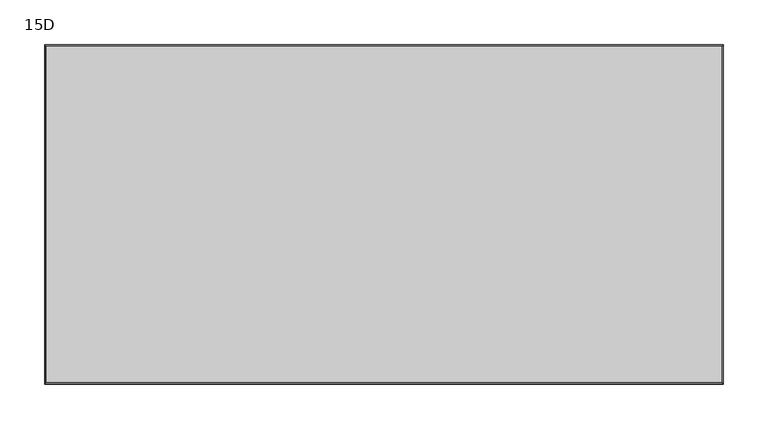
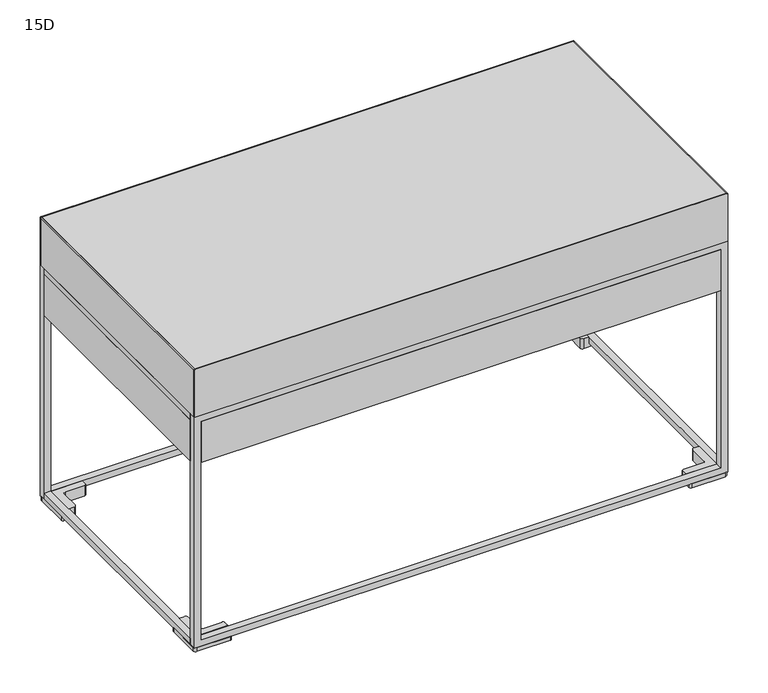
"""IFC4 building model written with IfcOpenShell, lengths in millimetres: furniture geometry, 15D."""

from ifc_helpers import new_model, si_unit, point, frame, frame_2d, origin, place, context, project, spatial, polyline, circle_curve, trimmed, segment, composite_curve, outline, extrude, source, transform, mapped, element, save
from ifc_brep_helpers import plane_surface, cylinder_surface, revolved_surface, advanced_brep


def furniture_15d_9a3ecead(model_context):
    return source(origin(), model_context, "Body", "SolidModel", [
        advanced_brep(
        [(17.0083882, -53.9744671, 15.289646), (20.3103882, -50.6724671, 15.289646), (20.3103882, -23.6896322, 15.289646), (23.6342208, -20.3657996, 15.289646), (51.4351938, -20.3657996, 15.289646), (53.9751938, -17.8257996, 15.289646), (53.9751938, -10.532642, 15.289646), (9.652, -10.532642, 15.289646), (9.652, -53.9744671, 15.289646), (53.9751938, -17.8257996, 0.0), (51.4351938, -20.3657996, 0.0), (23.6342208, -20.3657996, 0.0), (20.3103882, -23.6896322, 0.0), (20.3103882, -50.6724671, 0.0), (17.0083882, -53.9744671, 0.0), (2.54, -53.9744671, 0.0), (0.0, -51.4344671, 0.0), (0.0, -3.5791729, 0.0), (3.5791729, 0.0, 0.0), (51.3190396, 0.0, 0.0), (53.9751938, -2.6561542, 0.0), (53.9751938, -2.6561542, 5.7646191), (53.9751938, -10.532642, 5.7646191), (51.3190396, 0.0, 5.7646191), (3.5791729, 0.0, 5.7646191), (0.0, -3.5791729, 5.7646191), (0.0, -51.4344671, 5.7646191), (2.54, -53.9744671, 5.7646191), (9.652, -53.9744671, 5.7646191), (9.652, -10.532642, 5.7646191)],
        [
            (0, 1, circle_curve(frame((17.0083882, -50.6724671, 15.289646), z_axis=(0.0, 0.0, 1.0), x_axis=(1.0, 0.0, 0.0)), 3.302)),
            (1, 2),
            (2, 3, circle_curve(frame((23.6342208, -23.6896322, 15.289646), z_axis=(0.0, 0.0, -1.0), x_axis=(1.0, 0.0, 0.0)), 3.3238326)),
            (3, 4),
            (4, 5, circle_curve(frame((51.4351938, -17.8257996, 15.289646), z_axis=(0.0, 0.0, 1.0), x_axis=(1.0, 0.0, 0.0)), 2.54)),
            (5, 6),
            (6, 7),
            (7, 8),
            (8, 0),
            (9, 10, circle_curve(frame((51.4351938, -17.8257996, 0.0), z_axis=(0.0, 0.0, -1.0), x_axis=(1.0, 0.0, 0.0)), 2.54)),
            (10, 11),
            (11, 12, circle_curve(frame((23.6342208, -23.6896322, 0.0), z_axis=(0.0, 0.0, 1.0), x_axis=(1.0, 0.0, 0.0)), 3.3238326)),
            (12, 13),
            (13, 14, circle_curve(frame((17.0083882, -50.6724671, 0.0), z_axis=(0.0, 0.0, -1.0), x_axis=(1.0, 0.0, 0.0)), 3.302)),
            (14, 15),
            (15, 16, circle_curve(frame((2.54, -51.4344671, 0.0), z_axis=(0.0, 0.0, -1.0), x_axis=(1.0, 0.0, 0.0)), 2.54)),
            (16, 17),
            (17, 18, circle_curve(frame((3.5791729, -3.5791729, 0.0), z_axis=(0.0, 0.0, -1.0), x_axis=(1.0, 0.0, 0.0)), 3.5791729)),
            (18, 19),
            (19, 20, circle_curve(frame((51.3190396, -2.6561542, 0.0), z_axis=(0.0, 0.0, -1.0), x_axis=(1.0, 0.0, 0.0)), 2.6561542)),
            (20, 9),
            (20, 21),
            (21, 22),
            (22, 6),
            (5, 9),
            (19, 23),
            (23, 21, circle_curve(frame((51.3190396, -2.6561542, 5.7646191), z_axis=(0.0, 0.0, -1.0), x_axis=(1.0, 0.0, 0.0)), 2.6561542)),
            (18, 24),
            (24, 23),
            (17, 25),
            (25, 24, circle_curve(frame((3.5791729, -3.5791729, 5.7646191), z_axis=(0.0, 0.0, -1.0), x_axis=(1.0, 0.0, 0.0)), 3.5791729)),
            (16, 26),
            (26, 25),
            (15, 27),
            (27, 26, circle_curve(frame((2.54, -51.4344671, 5.7646191), z_axis=(0.0, 0.0, -1.0), x_axis=(1.0, 0.0, 0.0)), 2.54)),
            (14, 0),
            (8, 28),
            (28, 27),
            (13, 1),
            (12, 2),
            (11, 3),
            (10, 4),
            (28, 29),
            (29, 22),
            (7, 29),
        ],
        [
            plane_surface(frame((53.9751938, -2.7431465, 15.289646), z_axis=(0.0, 0.0, 1.0), x_axis=(0.0, 1.0, 0.0))),
            plane_surface(frame((53.9751938, -2.7431465, 0.0), z_axis=(0.0, 0.0, -1.0), x_axis=(0.0, -1.0, 0.0))),
            plane_surface(frame((53.9751938, -17.8257996, 15.289646), z_axis=(1.0, 0.0, 0.0), x_axis=(0.0, 0.0, -1.0))),
            cylinder_surface(frame((51.3190396, -2.6561542, 0.0), z_axis=(0.0, 0.0, 1.0), x_axis=(1.0, 0.0, 0.0)), 2.6561542),
            plane_surface(frame((51.3190396, 0.0, 15.289646), z_axis=(0.0, 1.0, 0.0), x_axis=(0.0, 0.0, -1.0))),
            cylinder_surface(frame((3.5791729, -3.5791729, 0.0), z_axis=(0.0, 0.0, 1.0), x_axis=(1.0, 0.0, 0.0)), 3.5791729),
            plane_surface(frame((0.0, -3.5791729, 15.289646), z_axis=(-1.0, 0.0, 0.0), x_axis=(0.0, 0.0, -1.0))),
            cylinder_surface(frame((2.54, -51.4344671, 0.0), z_axis=(0.0, 0.0, 1.0), x_axis=(1.0, 0.0, 0.0)), 2.54),
            plane_surface(frame((2.54, -53.9744671, 15.289646), z_axis=(0.0, -1.0, 0.0), x_axis=(0.0, 0.0, -1.0))),
            cylinder_surface(frame((17.0083882, -50.6724671, 0.0), z_axis=(0.0, 0.0, 1.0), x_axis=(1.0, 0.0, 0.0)), 3.302),
            plane_surface(frame((20.3103882, -50.6724671, 15.289646), z_axis=(1.0, 0.0, 0.0), x_axis=(0.0, 0.0, -1.0))),
            revolved_surface(polyline([(26.9580534, -23.6896322, 0.0), (26.9580534, -23.6896322, 15.289646)]), (23.6342208, -23.6896322, 0.0), (0.0, 0.0, -1.0)),
            plane_surface(frame((23.6342208, -20.3657996, 15.289646), z_axis=(0.0, -1.0, 0.0), x_axis=(0.0, 0.0, -1.0))),
            cylinder_surface(frame((51.4351938, -17.8257996, 0.0), z_axis=(0.0, 0.0, 1.0), x_axis=(1.0, 0.0, 0.0)), 2.54),
            plane_surface(frame((2.54, -327.0259689, 5.7646191), z_axis=(0.0, 0.0, 1.0), x_axis=(1.0, 0.0, 0.0))),
            plane_surface(frame((9.652, -53.9744671, 126.7257456), z_axis=(-1.0, 0.0, 0.0), x_axis=(0.0, 0.0, -1.0))),
            plane_surface(frame((9.652, -10.532642, 126.7257456), z_axis=(0.0, 1.0, 0.0), x_axis=(0.0, 0.0, -1.0))),
        ],
        [
            (0, [[1, 2, 3, 4, 5, 6, 7, 8, 9]]),
            (1, [[10, 11, 12, 13, 14, 15, 16, 17, 18, 19, 20, 21]]),
            (2, [[-21, 22, 23, 24, -6, 25]]),
            (3, [[-20, 26, 27, -22]]),
            (4, [[-19, 28, 29, -26]]),
            (5, [[-18, 30, 31, -28]]),
            (6, [[-17, 32, 33, -30]]),
            (7, [[-16, 34, 35, -32]]),
            (8, [[-15, 36, -9, 37, 38, -34]]),
            (9, [[-1, -36, -14, 39]]),
            (10, [[-2, -39, -13, 40]]),
            (11, [[-3, -40, -12, 41]]),
            (12, [[-4, -41, -11, 42]]),
            (13, [[-5, -42, -10, -25]]),
            (14, [[43, 44, -23, -27, -29, -31, -33, -35, -38]]),
            (15, [[-43, -37, -8, 45]]),
            (16, [[-44, -45, -7, -24]]),
        ],
    ),
        advanced_brep(
        [(708.0248062, -17.8257996, 15.289646), (710.5648062, -20.3657996, 15.289646), (738.3657792, -20.3657996, 15.289646), (741.6896118, -23.6896322, 15.289646), (741.6896118, -50.6724671, 15.289646), (744.9916118, -53.9744671, 15.289646), (752.348, -53.9744671, 15.289646), (752.348, -10.532642, 15.289646), (708.0248062, -10.532642, 15.289646), (708.0248062, -17.8257996, 0.0), (708.0248062, -2.6561542, 0.0), (710.6809604, 0.0, 0.0), (758.4208271, 0.0, 0.0), (762.0, -3.5791729, 0.0), (762.0, -51.4344671, 0.0), (759.46, -53.9744671, 0.0), (744.9916118, -53.9744671, 0.0), (741.6896118, -50.6724671, 0.0), (741.6896118, -23.6896322, 0.0), (738.3657792, -20.3657996, 0.0), (710.5648062, -20.3657996, 0.0), (759.46, -53.9744671, 5.7646191), (752.348, -53.9744671, 5.7646191), (762.0, -51.4344671, 5.7646191), (762.0, -3.5791729, 5.7646191), (758.4208271, 0.0, 5.7646191), (710.6809604, 0.0, 5.7646191), (708.0248062, -2.6561542, 5.7646191), (708.0248062, -10.532642, 5.7646191), (752.348, -10.532642, 5.7646191)],
        [
            (0, 1, circle_curve(frame((710.5648062, -17.8257996, 15.289646), z_axis=(0.0, 0.0, 1.0), x_axis=(1.0, 0.0, 0.0)), 2.54)),
            (1, 2),
            (2, 3, circle_curve(frame((738.3657792, -23.6896322, 15.289646), z_axis=(0.0, 0.0, -1.0), x_axis=(1.0, 0.0, 0.0)), 3.3238326)),
            (3, 4),
            (4, 5, circle_curve(frame((744.9916118, -50.6724671, 15.289646), z_axis=(0.0, 0.0, 1.0), x_axis=(1.0, 0.0, 0.0)), 3.302)),
            (5, 6),
            (6, 7),
            (7, 8),
            (8, 0),
            (9, 10),
            (10, 11, circle_curve(frame((710.6809604, -2.6561542, 0.0), z_axis=(0.0, 0.0, -1.0), x_axis=(1.0, 0.0, 0.0)), 2.6561542)),
            (11, 12),
            (12, 13, circle_curve(frame((758.4208271, -3.5791729, 0.0), z_axis=(0.0, 0.0, -1.0), x_axis=(1.0, 0.0, 0.0)), 3.5791729)),
            (13, 14),
            (14, 15, circle_curve(frame((759.46, -51.4344671, 0.0), z_axis=(0.0, 0.0, -1.0), x_axis=(1.0, 0.0, 0.0)), 2.54)),
            (15, 16),
            (16, 17, circle_curve(frame((744.9916118, -50.6724671, 0.0), z_axis=(0.0, 0.0, -1.0), x_axis=(1.0, 0.0, 0.0)), 3.302)),
            (17, 18),
            (18, 19, circle_curve(frame((738.3657792, -23.6896322, 0.0), z_axis=(0.0, 0.0, 1.0), x_axis=(1.0, 0.0, 0.0)), 3.3238326)),
            (19, 20),
            (20, 9, circle_curve(frame((710.5648062, -17.8257996, 0.0), z_axis=(0.0, 0.0, -1.0), x_axis=(1.0, 0.0, 0.0)), 2.54)),
            (0, 9),
            (20, 1),
            (19, 2),
            (18, 3),
            (17, 4),
            (16, 5),
            (15, 21),
            (21, 22),
            (22, 6),
            (14, 23),
            (23, 21, circle_curve(frame((759.46, -51.4344671, 5.7646191), z_axis=(0.0, 0.0, -1.0), x_axis=(1.0, 0.0, 0.0)), 2.54)),
            (13, 24),
            (24, 23),
            (12, 25),
            (25, 24, circle_curve(frame((758.4208271, -3.5791729, 5.7646191), z_axis=(0.0, 0.0, -1.0), x_axis=(1.0, 0.0, 0.0)), 3.5791729)),
            (11, 26),
            (26, 25),
            (10, 27),
            (27, 26, circle_curve(frame((710.6809604, -2.6561542, 5.7646191), z_axis=(0.0, 0.0, -1.0), x_axis=(1.0, 0.0, 0.0)), 2.6561542)),
            (8, 28),
            (28, 27),
            (28, 29),
            (29, 22),
            (7, 29),
        ],
        [
            plane_surface(frame((53.9751938, -2.7431465, 15.289646), z_axis=(0.0, 0.0, 1.0), x_axis=(0.0, 1.0, 0.0))),
            plane_surface(frame((53.9751938, -2.7431465, 0.0), z_axis=(0.0, 0.0, -1.0), x_axis=(0.0, -1.0, 0.0))),
            cylinder_surface(frame((710.5648062, -17.8257996, 0.0), z_axis=(0.0, 0.0, 1.0), x_axis=(1.0, 0.0, 0.0)), 2.54),
            plane_surface(frame((710.5648062, -20.3657996, 15.289646), z_axis=(0.0, -1.0, 0.0), x_axis=(0.0, 0.0, -1.0))),
            revolved_surface(polyline([(741.6896118, -23.6896322, 0.0), (741.6896118, -23.6896322, 15.289646)]), (738.3657792, -23.6896322, 0.0), (0.0, 0.0, -1.0)),
            plane_surface(frame((741.6896118, -23.6896322, 15.289646), z_axis=(-1.0, 0.0, 0.0), x_axis=(0.0, 0.0, -1.0))),
            cylinder_surface(frame((744.9916118, -50.6724671, 0.0), z_axis=(0.0, 0.0, 1.0), x_axis=(1.0, 0.0, 0.0)), 3.302),
            plane_surface(frame((744.9916118, -53.9744671, 15.289646), z_axis=(0.0, -1.0, 0.0), x_axis=(0.0, 0.0, -1.0))),
            cylinder_surface(frame((759.46, -51.4344671, 0.0), z_axis=(0.0, 0.0, 1.0), x_axis=(1.0, 0.0, 0.0)), 2.54),
            plane_surface(frame((762.0, -51.4344671, 15.289646), z_axis=(1.0, 0.0, 0.0), x_axis=(0.0, 0.0, -1.0))),
            cylinder_surface(frame((758.4208271, -3.5791729, 0.0), z_axis=(0.0, 0.0, 1.0), x_axis=(1.0, 0.0, 0.0)), 3.5791729),
            plane_surface(frame((758.4208271, 0.0, 15.289646), z_axis=(0.0, 1.0, 0.0), x_axis=(0.0, 0.0, -1.0))),
            cylinder_surface(frame((710.6809604, -2.6561542, 0.0), z_axis=(0.0, 0.0, 1.0), x_axis=(1.0, 0.0, 0.0)), 2.6561542),
            plane_surface(frame((708.0248062, -2.6561542, 15.289646), z_axis=(-1.0, 0.0, 0.0), x_axis=(0.0, 0.0, -1.0))),
            plane_surface(frame((2.54, -327.0259689, 5.7646191), z_axis=(0.0, 0.0, 1.0), x_axis=(1.0, 0.0, 0.0))),
            plane_surface(frame((708.0248062, -10.532642, 126.7257456), z_axis=(0.0, 1.0, 0.0), x_axis=(0.0, 0.0, -1.0))),
            plane_surface(frame((752.348, -10.532642, 126.7257456), z_axis=(1.0, 0.0, 0.0), x_axis=(0.0, 0.0, -1.0))),
        ],
        [
            (0, [[1, 2, 3, 4, 5, 6, 7, 8, 9]]),
            (1, [[10, 11, 12, 13, 14, 15, 16, 17, 18, 19, 20, 21]]),
            (2, [[-1, 22, -21, 23]]),
            (3, [[-2, -23, -20, 24]]),
            (4, [[-3, -24, -19, 25]]),
            (5, [[-4, -25, -18, 26]]),
            (6, [[-5, -26, -17, 27]]),
            (7, [[-16, 28, 29, 30, -6, -27]]),
            (8, [[-15, 31, 32, -28]]),
            (9, [[-14, 33, 34, -31]]),
            (10, [[-13, 35, 36, -33]]),
            (11, [[-12, 37, 38, -35]]),
            (12, [[-11, 39, 40, -37]]),
            (13, [[-10, -22, -9, 41, 42, -39]]),
            (14, [[43, 44, -29, -32, -34, -36, -38, -40, -42]]),
            (15, [[-43, -41, -8, 45]]),
            (16, [[-44, -45, -7, -30]]),
        ],
    ),
        advanced_brep(
        [(53.9751938, -363.2307745, 15.289646), (51.4351938, -360.6907745, 15.289646), (23.6342208, -360.6907745, 15.289646), (20.3103882, -357.3669419, 15.289646), (20.3103882, -330.3279689, 15.289646), (17.0083882, -327.0259689, 15.289646), (9.652, -327.0259689, 15.289646), (9.652, -370.467794, 15.289646), (53.9751938, -370.467794, 15.289646), (53.9751938, -363.2307745, 0.0), (53.9751938, -378.3438458, 0.0), (51.3190396, -381.0, 0.0), (3.5791729, -381.0, 0.0), (0.0, -377.4208271, 0.0), (0.0, -329.5659689, 0.0), (2.54, -327.0259689, 0.0), (17.0083882, -327.0259689, 0.0), (20.3103882, -330.3279689, 0.0), (20.3103882, -357.3669419, 0.0), (23.6342208, -360.6907745, 0.0), (51.4351938, -360.6907745, 0.0), (2.54, -327.0259689, 5.7646191), (9.652, -327.0259689, 5.7646191), (0.0, -329.5659689, 5.7646191), (0.0, -377.4208271, 5.7646191), (3.5791729, -381.0, 5.7646191), (51.3190396, -381.0, 5.7646191), (53.9751938, -378.3438458, 5.7646191), (53.9751938, -370.467794, 5.7646191), (9.652, -370.467794, 5.7646191)],
        [
            (0, 1, circle_curve(frame((51.4351938, -363.2307745, 15.289646), z_axis=(0.0, 0.0, 1.0), x_axis=(1.0, 0.0, 0.0)), 2.54)),
            (1, 2),
            (2, 3, circle_curve(frame((23.6342208, -357.3669419, 15.289646), z_axis=(0.0, 0.0, -1.0), x_axis=(1.0, 0.0, 0.0)), 3.3238326)),
            (3, 4),
            (4, 5, circle_curve(frame((17.0083882, -330.3279689, 15.289646), z_axis=(0.0, 0.0, 1.0), x_axis=(1.0, 0.0, 0.0)), 3.302)),
            (5, 6),
            (6, 7),
            (7, 8),
            (8, 0),
            (9, 10),
            (10, 11, circle_curve(frame((51.3190396, -378.3438458, 0.0), z_axis=(0.0, 0.0, -1.0), x_axis=(1.0, 0.0, 0.0)), 2.6561542)),
            (11, 12),
            (12, 13, circle_curve(frame((3.5791729, -377.4208271, 0.0), z_axis=(0.0, 0.0, -1.0), x_axis=(1.0, 0.0, 0.0)), 3.5791729)),
            (13, 14),
            (14, 15, circle_curve(frame((2.54, -329.5659689, 0.0), z_axis=(0.0, 0.0, -1.0), x_axis=(1.0, 0.0, 0.0)), 2.54)),
            (15, 16),
            (16, 17, circle_curve(frame((17.0083882, -330.3279689, 0.0), z_axis=(0.0, 0.0, -1.0), x_axis=(1.0, 0.0, 0.0)), 3.302)),
            (17, 18),
            (18, 19, circle_curve(frame((23.6342208, -357.3669419, 0.0), z_axis=(0.0, 0.0, 1.0), x_axis=(1.0, 0.0, 0.0)), 3.3238326)),
            (19, 20),
            (20, 9, circle_curve(frame((51.4351938, -363.2307745, 0.0), z_axis=(0.0, 0.0, -1.0), x_axis=(1.0, 0.0, 0.0)), 2.54)),
            (0, 9),
            (20, 1),
            (19, 2),
            (18, 3),
            (17, 4),
            (16, 5),
            (15, 21),
            (21, 22),
            (22, 6),
            (14, 23),
            (23, 21, circle_curve(frame((2.54, -329.5659689, 5.7646191), z_axis=(0.0, 0.0, -1.0), x_axis=(1.0, 0.0, 0.0)), 2.54)),
            (13, 24),
            (24, 23),
            (12, 25),
            (25, 24, circle_curve(frame((3.5791729, -377.4208271, 5.7646191), z_axis=(0.0, 0.0, -1.0), x_axis=(1.0, 0.0, 0.0)), 3.5791729)),
            (11, 26),
            (26, 25),
            (10, 27),
            (27, 26, circle_curve(frame((51.3190396, -378.3438458, 5.7646191), z_axis=(0.0, 0.0, -1.0), x_axis=(1.0, 0.0, 0.0)), 2.6561542)),
            (8, 28),
            (28, 27),
            (28, 29),
            (29, 22),
            (7, 29),
        ],
        [
            plane_surface(frame((53.9751938, -2.7431465, 15.289646), z_axis=(0.0, 0.0, 1.0), x_axis=(0.0, 1.0, 0.0))),
            plane_surface(frame((53.9751938, -2.7431465, 0.0), z_axis=(0.0, 0.0, -1.0), x_axis=(0.0, -1.0, 0.0))),
            cylinder_surface(frame((51.4351938, -363.2307745, 0.0), z_axis=(0.0, 0.0, 1.0), x_axis=(1.0, 0.0, 0.0)), 2.54),
            plane_surface(frame((51.4351938, -360.6907745, 15.289646), z_axis=(0.0, 1.0, 0.0), x_axis=(0.0, 0.0, -1.0))),
            revolved_surface(polyline([(26.9580534, -357.3669419, 0.0), (26.9580534, -357.3669419, 15.289646)]), (23.6342208, -357.3669419, 0.0), (0.0, 0.0, -1.0)),
            plane_surface(frame((20.3103882, -357.3669419, 15.289646), z_axis=(1.0, 0.0, 0.0), x_axis=(0.0, 0.0, -1.0))),
            cylinder_surface(frame((17.0083882, -330.3279689, 0.0), z_axis=(0.0, 0.0, 1.0), x_axis=(1.0, 0.0, 0.0)), 3.302),
            plane_surface(frame((17.0083882, -327.0259689, 15.289646), z_axis=(0.0, 1.0, 0.0), x_axis=(0.0, 0.0, -1.0))),
            cylinder_surface(frame((2.54, -329.5659689, 0.0), z_axis=(0.0, 0.0, 1.0), x_axis=(1.0, 0.0, 0.0)), 2.54),
            plane_surface(frame((0.0, -329.5659689, 15.289646), z_axis=(-1.0, 0.0, 0.0), x_axis=(0.0, 0.0, -1.0))),
            cylinder_surface(frame((3.5791729, -377.4208271, 0.0), z_axis=(0.0, 0.0, 1.0), x_axis=(1.0, 0.0, 0.0)), 3.5791729),
            plane_surface(frame((3.5791729, -381.0, 15.289646), z_axis=(0.0, -1.0, 0.0), x_axis=(0.0, 0.0, -1.0))),
            cylinder_surface(frame((51.3190396, -378.3438458, 0.0), z_axis=(0.0, 0.0, 1.0), x_axis=(1.0, 0.0, 0.0)), 2.6561542),
            plane_surface(frame((53.9751938, -378.3438458, 15.289646), z_axis=(1.0, 0.0, 0.0), x_axis=(0.0, 0.0, -1.0))),
            plane_surface(frame((2.54, -327.0259689, 5.7646191), z_axis=(0.0, 0.0, 1.0), x_axis=(1.0, 0.0, 0.0))),
            plane_surface(frame((53.9751938, -370.467794, 126.7257456), z_axis=(0.0, -1.0, 0.0), x_axis=(0.0, 0.0, -1.0))),
            plane_surface(frame((9.652, -370.467794, 126.7257456), z_axis=(-1.0, 0.0, 0.0), x_axis=(0.0, 0.0, -1.0))),
        ],
        [
            (0, [[1, 2, 3, 4, 5, 6, 7, 8, 9]]),
            (1, [[10, 11, 12, 13, 14, 15, 16, 17, 18, 19, 20, 21]]),
            (2, [[-1, 22, -21, 23]]),
            (3, [[-2, -23, -20, 24]]),
            (4, [[-3, -24, -19, 25]]),
            (5, [[-4, -25, -18, 26]]),
            (6, [[-5, -26, -17, 27]]),
            (7, [[-16, 28, 29, 30, -6, -27]]),
            (8, [[-15, 31, 32, -28]]),
            (9, [[-14, 33, 34, -31]]),
            (10, [[-13, 35, 36, -33]]),
            (11, [[-12, 37, 38, -35]]),
            (12, [[-11, 39, 40, -37]]),
            (13, [[-10, -22, -9, 41, 42, -39]]),
            (14, [[43, 44, -29, -32, -34, -36, -38, -40, -42]]),
            (15, [[-43, -41, -8, 45]]),
            (16, [[-44, -45, -7, -30]]),
        ],
    ),
        advanced_brep(
        [(744.9916118, -327.0259689, 15.289646), (741.6896118, -330.3279689, 15.289646), (741.6896118, -357.3669419, 15.289646), (738.3657792, -360.6907745, 15.289646), (710.5648062, -360.6907745, 15.289646), (708.0248062, -363.2307745, 15.289646), (708.0248062, -370.467794, 15.289646), (752.348, -370.467794, 15.289646), (752.348, -327.0259689, 15.289646), (708.0248062, -363.2307745, 0.0), (710.5648062, -360.6907745, 0.0), (738.3657792, -360.6907745, 0.0), (741.6896118, -357.3669419, 0.0), (741.6896118, -330.3279689, 0.0), (744.9916118, -327.0259689, 0.0), (759.46, -327.0259689, 0.0), (762.0, -329.5659689, 0.0), (762.0, -377.4208271, 0.0), (758.4208271, -381.0, 0.0), (710.6809604, -381.0, 0.0), (708.0248062, -378.3438458, 0.0), (708.0248062, -378.3438458, 5.7646191), (708.0248062, -370.467794, 5.7646191), (710.6809604, -381.0, 5.7646191), (758.4208271, -381.0, 5.7646191), (762.0, -377.4208271, 5.7646191), (762.0, -329.5659689, 5.7646191), (759.46, -327.0259689, 5.7646191), (752.348, -327.0259689, 5.7646191), (752.348, -370.467794, 5.7646191)],
        [
            (0, 1, circle_curve(frame((744.9916118, -330.3279689, 15.289646), z_axis=(0.0, 0.0, 1.0), x_axis=(1.0, 0.0, 0.0)), 3.302)),
            (1, 2),
            (2, 3, circle_curve(frame((738.3657792, -357.3669419, 15.289646), z_axis=(0.0, 0.0, -1.0), x_axis=(1.0, 0.0, 0.0)), 3.3238326)),
            (3, 4),
            (4, 5, circle_curve(frame((710.5648062, -363.2307745, 15.289646), z_axis=(0.0, 0.0, 1.0), x_axis=(1.0, 0.0, 0.0)), 2.54)),
            (5, 6),
            (6, 7),
            (7, 8),
            (8, 0),
            (9, 10, circle_curve(frame((710.5648062, -363.2307745, 0.0), z_axis=(0.0, 0.0, -1.0), x_axis=(1.0, 0.0, 0.0)), 2.54)),
            (10, 11),
            (11, 12, circle_curve(frame((738.3657792, -357.3669419, 0.0), z_axis=(0.0, 0.0, 1.0), x_axis=(1.0, 0.0, 0.0)), 3.3238326)),
            (12, 13),
            (13, 14, circle_curve(frame((744.9916118, -330.3279689, 0.0), z_axis=(0.0, 0.0, -1.0), x_axis=(1.0, 0.0, 0.0)), 3.302)),
            (14, 15),
            (15, 16, circle_curve(frame((759.46, -329.5659689, 0.0), z_axis=(0.0, 0.0, -1.0), x_axis=(1.0, 0.0, 0.0)), 2.54)),
            (16, 17),
            (17, 18, circle_curve(frame((758.4208271, -377.4208271, 0.0), z_axis=(0.0, 0.0, -1.0), x_axis=(1.0, 0.0, 0.0)), 3.5791729)),
            (18, 19),
            (19, 20, circle_curve(frame((710.6809604, -378.3438458, 0.0), z_axis=(0.0, 0.0, -1.0), x_axis=(1.0, 0.0, 0.0)), 2.6561542)),
            (20, 9),
            (20, 21),
            (21, 22),
            (22, 6),
            (5, 9),
            (19, 23),
            (23, 21, circle_curve(frame((710.6809604, -378.3438458, 5.7646191), z_axis=(0.0, 0.0, -1.0), x_axis=(1.0, 0.0, 0.0)), 2.6561542)),
            (18, 24),
            (24, 23),
            (17, 25),
            (25, 24, circle_curve(frame((758.4208271, -377.4208271, 5.7646191), z_axis=(0.0, 0.0, -1.0), x_axis=(1.0, 0.0, 0.0)), 3.5791729)),
            (16, 26),
            (26, 25),
            (15, 27),
            (27, 26, circle_curve(frame((759.46, -329.5659689, 5.7646191), z_axis=(0.0, 0.0, -1.0), x_axis=(1.0, 0.0, 0.0)), 2.54)),
            (14, 0),
            (8, 28),
            (28, 27),
            (13, 1),
            (12, 2),
            (11, 3),
            (10, 4),
            (28, 29),
            (29, 22),
            (7, 29),
        ],
        [
            plane_surface(frame((53.9751938, -2.7431465, 15.289646), z_axis=(0.0, 0.0, 1.0), x_axis=(0.0, 1.0, 0.0))),
            plane_surface(frame((53.9751938, -2.7431465, 0.0), z_axis=(0.0, 0.0, -1.0), x_axis=(0.0, -1.0, 0.0))),
            plane_surface(frame((708.0248062, -363.2307745, 15.289646), z_axis=(-1.0, 0.0, 0.0), x_axis=(0.0, 0.0, -1.0))),
            cylinder_surface(frame((710.6809604, -378.3438458, 0.0), z_axis=(0.0, 0.0, 1.0), x_axis=(1.0, 0.0, 0.0)), 2.6561542),
            plane_surface(frame((710.6809604, -381.0, 15.289646), z_axis=(0.0, -1.0, 0.0), x_axis=(0.0, 0.0, -1.0))),
            cylinder_surface(frame((758.4208271, -377.4208271, 0.0), z_axis=(0.0, 0.0, 1.0), x_axis=(1.0, 0.0, 0.0)), 3.5791729),
            plane_surface(frame((762.0, -377.4208271, 15.289646), z_axis=(1.0, 0.0, 0.0), x_axis=(0.0, 0.0, -1.0))),
            cylinder_surface(frame((759.46, -329.5659689, 0.0), z_axis=(0.0, 0.0, 1.0), x_axis=(1.0, 0.0, 0.0)), 2.54),
            plane_surface(frame((759.46, -327.0259689, 15.289646), z_axis=(0.0, 1.0, 0.0), x_axis=(0.0, 0.0, -1.0))),
            cylinder_surface(frame((744.9916118, -330.3279689, 0.0), z_axis=(0.0, 0.0, 1.0), x_axis=(1.0, 0.0, 0.0)), 3.302),
            plane_surface(frame((741.6896118, -330.3279689, 15.289646), z_axis=(-1.0, 0.0, 0.0), x_axis=(0.0, 0.0, -1.0))),
            revolved_surface(polyline([(741.6896118, -357.3669419, 0.0), (741.6896118, -357.3669419, 15.289646)]), (738.3657792, -357.3669419, 0.0), (0.0, 0.0, -1.0)),
            plane_surface(frame((738.3657792, -360.6907745, 15.289646), z_axis=(0.0, 1.0, 0.0), x_axis=(0.0, 0.0, -1.0))),
            cylinder_surface(frame((710.5648062, -363.2307745, 0.0), z_axis=(0.0, 0.0, 1.0), x_axis=(1.0, 0.0, 0.0)), 2.54),
            plane_surface(frame((2.54, -327.0259689, 5.7646191), z_axis=(0.0, 0.0, 1.0), x_axis=(1.0, 0.0, 0.0))),
            plane_surface(frame((752.348, -327.0259689, 126.7257456), z_axis=(1.0, 0.0, 0.0), x_axis=(0.0, 0.0, -1.0))),
            plane_surface(frame((752.348, -370.467794, 126.7257456), z_axis=(0.0, -1.0, 0.0), x_axis=(0.0, 0.0, -1.0))),
        ],
        [
            (0, [[1, 2, 3, 4, 5, 6, 7, 8, 9]]),
            (1, [[10, 11, 12, 13, 14, 15, 16, 17, 18, 19, 20, 21]]),
            (2, [[-21, 22, 23, 24, -6, 25]]),
            (3, [[-20, 26, 27, -22]]),
            (4, [[-19, 28, 29, -26]]),
            (5, [[-18, 30, 31, -28]]),
            (6, [[-17, 32, 33, -30]]),
            (7, [[-16, 34, 35, -32]]),
            (8, [[-15, 36, -9, 37, 38, -34]]),
            (9, [[-1, -36, -14, 39]]),
            (10, [[-2, -39, -13, 40]]),
            (11, [[-3, -40, -12, 41]]),
            (12, [[-4, -41, -11, 42]]),
            (13, [[-5, -42, -10, -25]]),
            (14, [[43, 44, -23, -27, -29, -31, -33, -35, -38]]),
            (15, [[-43, -37, -8, 45]]),
            (16, [[-44, -45, -7, -24]]),
        ],
    ),
        advanced_brep(
        [(762.0000003, -1.1443342, 355.0146636), (762.0000003, 0.0, 355.0146636), (761.9999798, 0.0, 426.273628), (761.9999798, -1.1443342, 426.280036), (2.07e-05, 0.0, 355.0144449), (2.07e-05, -1.1443342, 355.0144449), (3e-07, -1.1443342, 426.273613), (3e-07, 0.0, 426.273613), (0.9000419, 0.0, 427.2895027), (761.0989725, 0.0, 427.2897209), (761.0989607, -1.1443342, 427.2896228), (0.9000419, -1.1443342, 427.2895027)],
        [
            (0, 1),
            (1, 2),
            (2, 3),
            (3, 0),
            (4, 5),
            (5, 6),
            (6, 7),
            (7, 4),
            (1, 4),
            (7, 8, circle_curve(frame((1.023345, 0.0, 426.2736133), z_axis=(0.0, 1.0, 0.0), x_axis=(1.0, 0.0, 0.0)), 1.023345)),
            (8, 9),
            (9, 2, circle_curve(frame((760.976655, 0.0, 426.2736128), z_axis=(0.0, 1.0, 0.0), x_axis=(1.0, 0.0, 0.0)), 1.023345)),
            (5, 0),
            (3, 10, circle_curve(frame((760.976655, -1.1443342, 426.2736128), z_axis=(0.0, -1.0, 0.0), x_axis=(1.0, 0.0, 0.0)), 1.023345)),
            (10, 11),
            (11, 6, circle_curve(frame((1.023345, -1.1443342, 426.2736133), z_axis=(0.0, -1.0, 0.0), x_axis=(1.0, 0.0, 0.0)), 1.023345)),
            (10, 9),
            (8, 11),
        ],
        [
            plane_surface(frame((761.9999796, -1.1443342, 427.2898305), z_axis=(0.9999999999999588, 0.0, 2.86964463625285e-07), x_axis=(-2.86964463625285e-07, 0.0, 0.9999999999999588))),
            plane_surface(frame((0.0, -1.1443342, 427.2896118), z_axis=(-0.9999999999999588, 0.0, -2.86964463625285e-07), x_axis=(-2.86964463625285e-07, 0.0, 0.9999999999999588))),
            plane_surface(frame((762.0000003, 0.0, 355.0146636), z_axis=(0.0, 1.0, 0.0), x_axis=(-0.9999999999999588, 0.0, -2.8696446363186923e-07))),
            plane_surface(frame((761.9999796, -1.1443342, 427.2897212), z_axis=(0.0, -1.0, 0.0), x_axis=(-0.9999999999999588, 0.0, -2.8696446363186923e-07))),
            plane_surface(frame((762.0000003, -1.1443342, 355.0146636), z_axis=(2.8696446363186923e-07, 0.0, -0.9999999999999588), x_axis=(-0.9999999999999588, 0.0, -2.8696446363186923e-07))),
            plane_surface(frame((761.9999796, 0.0, 427.2897212), z_axis=(-2.8696446363186923e-07, 0.0, 0.9999999999999588), x_axis=(-0.9999999999999588, 0.0, -2.8696446363186923e-07))),
            cylinder_surface(frame((760.976655, 52.8349028, 426.2736128), z_axis=(0.0, 1.0, 0.0), x_axis=(1.0, 0.0, 0.0)), 1.023345),
            cylinder_surface(frame((1.023345, 0.0, 426.2736133), z_axis=(0.0, 1.0, 0.0), x_axis=(1.0, 0.0, 0.0)), 1.023345),
        ],
        [
            (0, [[1, 2, 3, 4]]),
            (1, [[5, 6, 7, 8]]),
            (2, [[9, -8, 10, 11, 12, -2]]),
            (3, [[13, -4, 14, 15, 16, -6]]),
            (4, [[-1, -13, -5, -9]]),
            (5, [[-15, 17, -11, 18]]),
            (6, [[-3, -12, -17, -14]]),
            (7, [[-7, -16, -18, -10]]),
        ],
    ),
        extrude(outline(composite_curve([segment(polyline([(355.0146633, 760.8542582), (355.0146633, 762.0), (426.2736128, 762.0)]), True, "CONTINUOUS"), segment(trimmed(circle_curve(frame_2d((426.2736128, 760.976655)), 1.023345), [point((426.2736128, 762.0))], [point((427.2896118, 760.8542582))], False, "CARTESIAN"), True, "CONTINUOUS"), segment(polyline([(427.2896118, 760.8542582), (355.0146633, 760.8542582)]), True, "CONTINUOUS")], self_intersect=False)), frame((0.0, -379.857802, 0.0), z_axis=(0.0, 1.0, 0.0), x_axis=(0.0, 0.0, 1.0)), (0.0, 0.0, 1.0), 378.7134678),
        extrude(outline(composite_curve([segment(polyline([(355.0146312, 0.0), (355.0146312, 1.1446976), (427.2896122, 1.1446976), (427.2896121, 0.9009461)]), True, "CONTINUOUS"), segment(trimmed(circle_curve(frame_2d((426.2736133, 1.023345)), 1.023345), [point((427.2896121, 0.9009461))], [point((426.2736133, 0.0))], False, "CARTESIAN"), True, "CONTINUOUS"), segment(polyline([(426.2736133, 0.0), (355.0146312, 0.0)]), True, "CONTINUOUS")], self_intersect=False)), frame((0.0, -379.857802, 0.0), z_axis=(0.0, 1.0, 0.0), x_axis=(0.0, 0.0, 1.0)), (0.0, 0.0, 1.0), 378.7134678),
        advanced_brep(
        [(762.0, -381.0, 426.2736128), (762.0, -379.857802, 426.2736128), (761.0990513, -379.857802, 427.2896119), (761.0990475, -381.0, 427.2896123), (0.0, -379.857802, 426.2736133), (0.0, -381.0, 426.2736133), (0.9009482, -381.0, 427.2896123), (0.9009482, -379.857802, 427.2896123), (0.0, -379.857802, 355.0146312), (0.0, -381.0, 355.0146312), (762.0, -381.0, 355.0146312), (762.0, -379.857802, 355.0146312)],
        [
            (0, 1),
            (1, 2, circle_curve(frame((760.976655, -379.857802, 426.2736128), z_axis=(0.0, -1.0, 0.0), x_axis=(1.0, 0.0, 0.0)), 1.023345)),
            (2, 3),
            (3, 0, circle_curve(frame((760.976655, -381.0, 426.2736128), z_axis=(0.0, 1.0, 0.0), x_axis=(1.0, 0.0, 0.0)), 1.023345)),
            (4, 5),
            (5, 6, circle_curve(frame((1.023345, -381.0, 426.2736133), z_axis=(0.0, 1.0, 0.0), x_axis=(1.0, 0.0, 0.0)), 1.023345)),
            (6, 7),
            (7, 4, circle_curve(frame((1.023345, -379.857802, 426.2736133), z_axis=(0.0, -1.0, 0.0), x_axis=(1.0, 0.0, 0.0)), 1.023345)),
            (8, 9),
            (9, 5),
            (4, 8),
            (10, 11),
            (11, 1),
            (0, 10),
            (9, 10),
            (3, 6),
            (2, 7),
            (11, 8),
        ],
        [
            cylinder_surface(frame((760.976655, 52.8349028, 426.2736128), z_axis=(0.0, 1.0, 0.0), x_axis=(1.0, 0.0, 0.0)), 1.023345),
            cylinder_surface(frame((1.023345, 0.0, 426.2736133), z_axis=(0.0, 1.0, 0.0), x_axis=(1.0, 0.0, 0.0)), 1.023345),
            plane_surface(frame((0.0, -379.857802, 0.0), z_axis=(-1.0, 0.0, 0.0), x_axis=(0.0, 0.0, 1.0))),
            plane_surface(frame((762.0, -379.857802, 0.0), z_axis=(1.0, 0.0, 0.0), x_axis=(0.0, 0.0, 1.0))),
            plane_surface(frame((0.0, -381.0, 355.0146312), z_axis=(0.0, -1.0, 0.0), x_axis=(1.0, 0.0, 0.0))),
            plane_surface(frame((0.0, -381.0, 427.2896123), z_axis=(0.0, 0.0, 1.0), x_axis=(1.0, 0.0, 0.0))),
            plane_surface(frame((0.0, -379.857802, 427.2896123), z_axis=(0.0, 1.0, 0.0), x_axis=(1.0, 0.0, 0.0))),
            plane_surface(frame((0.0, -379.857802, 355.0146312), z_axis=(0.0, 0.0, -1.0), x_axis=(1.0, 0.0, 0.0))),
        ],
        [
            (0, [[1, 2, 3, 4]]),
            (1, [[5, 6, 7, 8]]),
            (2, [[9, 10, -5, 11]]),
            (3, [[12, 13, -1, 14]]),
            (4, [[15, -14, -4, 16, -6, -10]]),
            (5, [[-16, -3, 17, -7]]),
            (6, [[18, -11, -8, -17, -2, -13]]),
            (7, [[-9, -18, -12, -15]]),
        ],
    ),
        extrude(outline(polyline([(760.8542582, -1.1443342), (760.8542582, -379.857802), (1.1446976, -379.857802), (1.1446976, -1.1443342), (760.8542582, -1.1443342)])), frame((0.0, 0.0, 283.5283514), z_axis=(0.0, 0.0, 1.0), x_axis=(1.0, 0.0, 0.0)), (0.0, 0.0, 1.0), 61.9613161),
        extrude(outline(polyline([(752.348, -379.9834923), (752.348, -381.0), (9.652, -381.0), (9.652, -379.9834923), (752.348, -379.9834923)])), frame((0.0, 0.0, 283.5283514), z_axis=(0.0, 0.0, 1.0), x_axis=(1.0, 0.0, 0.0)), (0.0, 0.0, 1.0), 61.9613161),
        extrude(outline(polyline([(762.0, -371.4678783), (760.8542582, -371.4678783), (760.8542582, -9.525218), (762.0, -9.525218), (762.0, -371.4678783)])), frame((0.0, 0.0, 283.5282424), z_axis=(0.0, 0.0, 1.0), x_axis=(1.0, 0.0, 0.0)), (0.0, 0.0, 1.0), 61.9616085),
        extrude(outline(polyline([(1.1446976, -371.4678783), (0.0, -371.4678783), (0.0, -9.525218), (1.1446976, -9.525218), (1.1446976, -371.4678783)])), frame((0.0, 0.0, 283.5282424), z_axis=(0.0, 0.0, 1.0), x_axis=(1.0, 0.0, 0.0)), (0.0, 0.0, 1.0), 61.9616085),
        extrude(outline(polyline([(0.0, -1.1443342), (0.0, 0.0), (742.696, 0.0), (742.696, -1.1443342), (0.0, -1.1443342)])), frame((752.348003, -1.1443342, 283.5282449), z_axis=(2.869644635915683e-07, 0.0, 0.9999999999999588), x_axis=(-0.9999999999999588, 0.0, 2.869644635915683e-07)), (0.0, 0.0, 1.0), 61.961393),
        extrude(outline(polyline([(760.8542582, -1.1443342), (760.8542582, -379.857802), (1.1446976, -379.857802), (1.1446976, -1.1443342), (760.8542582, -1.1443342)])), frame((0.0, 0.0, 355.0146312), z_axis=(0.0, 0.0, 1.0), x_axis=(1.0, 0.0, 0.0)), (0.0, 0.0, 1.0), 72.2749806),
        extrude(outline(polyline([(9.652, -9.525218), (9.652, -371.4678783), (0.0, -371.4678783), (0.0, -9.525218), (9.652, -9.525218)])), frame((0.0, 0.0, 345.4896675), z_axis=(0.0, 0.0, 1.0), x_axis=(1.0, 0.0, 0.0)), (0.0, 0.0, 1.0), 9.5249637),
        extrude(outline(polyline([(752.348, -371.4678783), (752.348, -9.525218), (762.0, -9.525218), (762.0, -371.4678783), (752.348, -371.4678783)])), frame((0.0, 0.0, 345.4896675), z_axis=(0.0, 0.0, 1.0), x_axis=(1.0, 0.0, 0.0)), (0.0, 0.0, 1.0), 9.5249637),
        extrude(outline(polyline([(9.652, -9.525218), (9.652, -371.4678783), (0.0, -371.4678783), (0.0, -9.525218), (9.652, -9.525218)])), frame((0.0, 0.0, 5.7646191), z_axis=(0.0, 0.0, 1.0), x_axis=(1.0, 0.0, 0.0)), (0.0, 0.0, 1.0), 9.5250269),
        extrude(outline(polyline([(752.348, -371.4678783), (752.348, -9.525218), (762.0, -9.525218), (762.0, -371.4678783), (752.348, -371.4678783)])), frame((0.0, 0.0, 5.7646191), z_axis=(0.0, 0.0, 1.0), x_axis=(1.0, 0.0, 0.0)), (0.0, 0.0, 1.0), 9.5250269),
        extrude(outline(polyline([(355.0146312, 0.0), (5.7646191, 0.0), (5.7646191, 762.0), (355.0146312, 762.0), (355.0146312, 0.0)]), holes=[polyline([(345.4896675, 9.652), (345.4896675, 752.348), (15.289646, 752.348), (15.289646, 9.652), (345.4896675, 9.652)])]), frame((0.0, -381.0, 0.0), z_axis=(0.0, 1.0, 0.0), x_axis=(0.0, 0.0, 1.0)), (0.0, 0.0, 1.0), 9.5321217),
        extrude(outline(polyline([(355.0146312, 0.0), (5.7646191, 0.0), (5.7646191, 762.0), (355.0146312, 762.0), (355.0146312, 0.0)]), holes=[polyline([(345.4896675, 9.652), (345.4896675, 752.348), (15.289646, 752.348), (15.289646, 9.652), (345.4896675, 9.652)])]), frame((0.0, -9.525, 0.0), z_axis=(0.0, 1.0, 0.0), x_axis=(0.0, 0.0, 1.0)), (0.0, 0.0, 1.0), 9.525),
    ])


if __name__ == "__main__":
    model = new_model("IFC4")
    model_context = context("Model", 3, world=origin())
    ifc_project = project(units=[si_unit("LENGTHUNIT", "METRE", prefix="MILLI")], contexts=[model_context])
    site = spatial("IfcSite", under=ifc_project)
    building = spatial("IfcBuilding", under=site)
    placement = place(None, origin())
    furniture_15d_shape = furniture_15d_9a3ecead(model_context)
    element("IfcFurniture", 1, ObjectType="15D", at=placement, inside=building, context=model_context, shape_type="MappedRepresentation", body=[
        mapped(furniture_15d_shape, transform((0.0, 0.0, 0.0), x_axis=(1.0, 0.0, 0.0), y_axis=(0.0, 1.0, 0.0), z_axis=(0.0, 0.0, 1.0))),
    ])
    save(model, "model.ifc")
